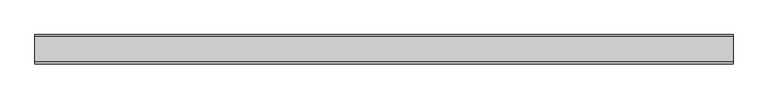
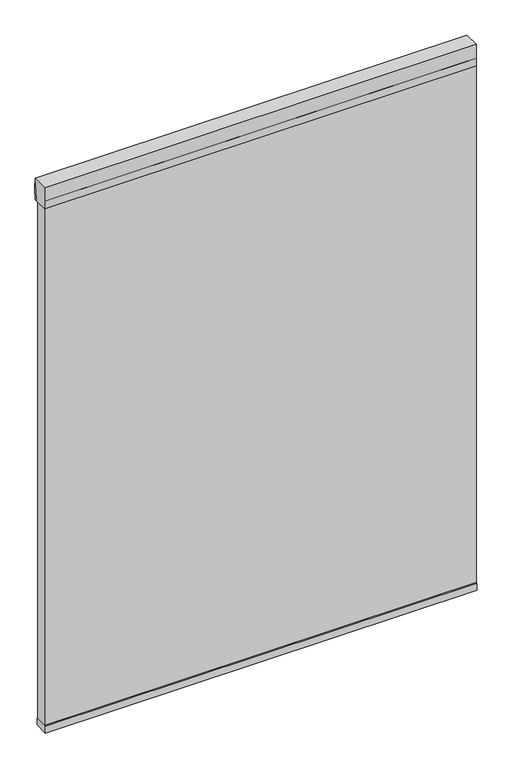
"""IFC4 building model written with IfcOpenShell, lengths in millimetres: plate geometry."""

from ifc_helpers import new_model, si_unit, point, frame, frame_2d, origin, place, context, project, spatial, polyline, circle_curve, trimmed, segment, composite_curve, outline, extrude, source, transform, mapped, element, save


def plate_35f22640(model_context):
    return source(origin(), model_context, "Body", "SweptSolid", [
        extrude(outline(composite_curve([segment(polyline([(-20.6375, 2133.6), (35.71875, 2133.6), (35.71875, 2130.425)]), True, "CONTINUOUS"), segment(trimmed(circle_curve(frame_2d((359.5960463, 2051.2450255)), 333.4156137), [point((35.71875, 2130.425))], [point((26.19375, 2054.225))], True, "CARTESIAN"), True, "CONTINUOUS"), segment(polyline([(26.19375, 2054.225), (-20.6375, 2054.225), (-20.6375, 2133.6)]), True, "CONTINUOUS")], self_intersect=False)), frame((-762.0, 0.0, 0.0), z_axis=(1.0, 0.0, 0.0), x_axis=(0.0, 1.0, 0.0)), (0.0, 0.0, 1.0), 1524.0),
        extrude(outline(composite_curve([segment(polyline([(-20.6375, 2054.225), (-20.6375, 2133.6), (35.71875, 2133.6)]), True, "CONTINUOUS"), segment(trimmed(circle_curve(frame_2d((-276.5341329, 2093.9125)), 314.7649291), [point((35.71875, 2133.6))], [point((35.71875, 2054.225))], False, "CARTESIAN"), True, "CONTINUOUS"), segment(polyline([(35.71875, 2054.225), (-20.6375, 2054.225)]), True, "CONTINUOUS")], self_intersect=False)), frame((-762.0, 0.0, 0.0), z_axis=(1.0, 0.0, 0.0), x_axis=(0.0, 1.0, 0.0)), (0.0, 0.0, 1.0), 1524.0),
        extrude(outline(polyline([(-762.0, -25.4), (-762.0, 25.4), (762.0, 25.4), (762.0, -25.4), (-762.0, -25.4)])), frame((0.0, 0.0, 101.6), z_axis=(0.0, 0.0, 1.0), x_axis=(1.0, 0.0, 0.0)), (0.0, 0.0, 1.0), 25.4),
        extrude(outline(polyline([(762.0, -20.6375), (-762.0, -20.6375), (-762.0, 20.6375), (762.0, 20.6375), (762.0, -20.6375)])), frame((0.0, 0.0, 127.0), z_axis=(0.0, 0.0, 1.0), x_axis=(1.0, 0.0, 0.0)), (0.0, 0.0, 1.0), 1955.8),
    ])


if __name__ == "__main__":
    model = new_model("IFC4")
    model_context = context("Model", 3, world=origin())
    ifc_project = project(units=[si_unit("LENGTHUNIT", "METRE", prefix="MILLI")], contexts=[model_context])
    site = spatial("IfcSite", under=ifc_project)
    building = spatial("IfcBuilding", under=site)
    placement = place(None, origin())
    plate_shape = plate_35f22640(model_context)
    element("IfcPlate", 1, at=placement, inside=building, context=model_context, shape_type="MappedRepresentation", body=[
        mapped(plate_shape, transform((0.0, 0.0, 0.0), x_axis=(1.0, 0.0, 0.0), y_axis=(0.0, 1.0, 0.0), z_axis=(0.0, 0.0, 1.0))),
    ])
    save(model, "model.ifc")
